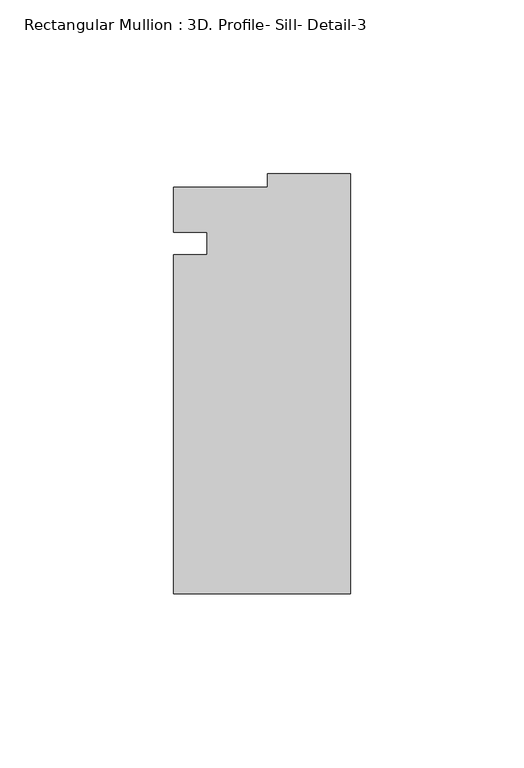
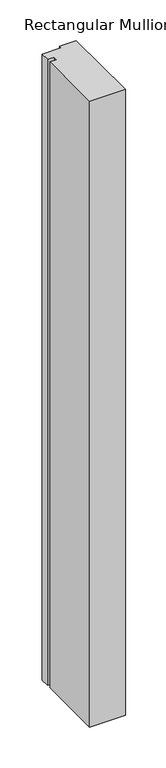
"""IFC4 building model written with IfcOpenShell, lengths in millimetres: member geometry, Rectangular Mullion : 3D. Profile- Sill- Detail-3."""

from ifc_helpers import new_model, si_unit, frame, origin, place, context, project, spatial, polyline, outline, extrude, source, transform, mapped, element, save


def rectangular_mullion_3d_profile_sill_detail_3_9783ee14(model_context):
    return source(origin(), model_context, "Body", "SweptSolid", [
        extrude(outline(polyline([(-50.8, -43.0771237), (-50.8, 54.3480517), (-41.275, 54.3480517), (-41.275, 60.7882901), (-50.7758192, 60.7882901), (-50.7758192, 73.7730363), (-23.7756192, 73.7730363), (-23.7756192, 77.5728763), (0.0, 77.5728763), (0.0, -43.0771237), (-50.8, -43.0771237)])), frame((0.0, 0.0, -939.8), z_axis=(0.0, 0.0, 1.0), x_axis=(1.0, 0.0, 0.0)), (0.0, 0.0, 1.0), 939.8),
    ])


if __name__ == "__main__":
    model = new_model("IFC4")
    model_context = context("Model", 3, world=origin())
    ifc_project = project(units=[si_unit("LENGTHUNIT", "METRE", prefix="MILLI")], contexts=[model_context])
    site = spatial("IfcSite", under=ifc_project)
    building = spatial("IfcBuilding", under=site)
    placement = place(None, origin())
    rectangular_mullion_3d_profile_sill_detail_3_shape = rectangular_mullion_3d_profile_sill_detail_3_9783ee14(model_context)
    element("IfcMember", 1, ObjectType="Rectangular Mullion : 3D. Profile- Sill- Detail-3", at=placement, inside=building, context=model_context, shape_type="MappedRepresentation", body=[
        mapped(rectangular_mullion_3d_profile_sill_detail_3_shape, transform((0.0, 0.0, 0.0), x_axis=(1.0, 0.0, 0.0), y_axis=(0.0, 1.0, 0.0), z_axis=(0.0, 0.0, 1.0))),
    ])
    save(model, "model.ifc")
